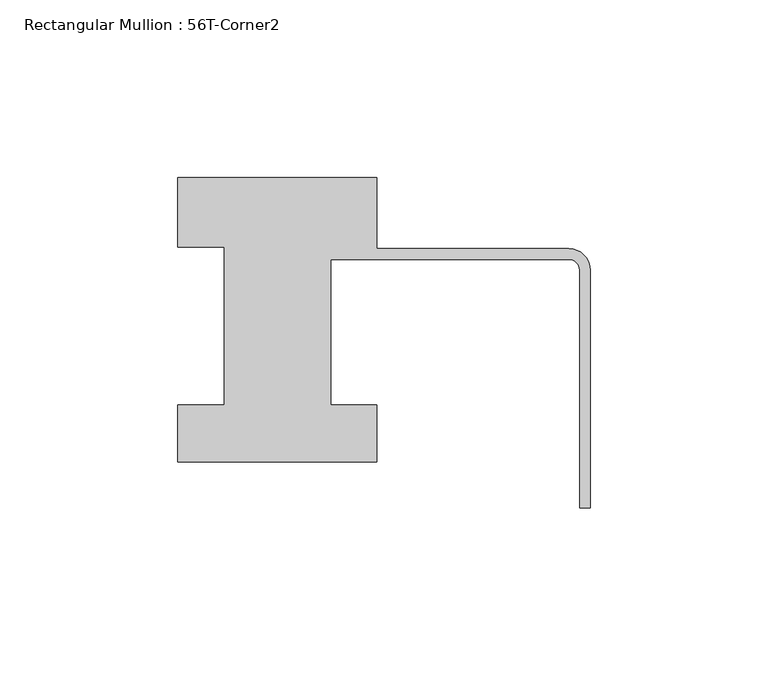
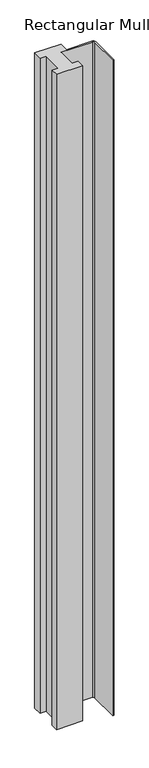
"""IFC4 building model written with IfcOpenShell, lengths in millimetres: member geometry, Rectangular Mullion : 56T-Corner2."""

from ifc_helpers import new_model, si_unit, point, frame, frame_2d, origin, place, context, project, spatial, polyline, circle_curve, trimmed, segment, composite_curve, outline, extrude, source, transform, mapped, element, save


def rectangular_mullion_56t_corner2_e14eab13(model_context):
    return source(origin(), model_context, "Body", "SweptSolid", [
        extrude(outline(composite_curve([segment(polyline([(-116.0, 20.0), (-60.0, 20.0), (-60.0, 0.0), (-6.0, 0.0)]), True, "CONTINUOUS"), segment(trimmed(circle_curve(frame_2d((-6.0, -6.0)), 6.0), [point((-6.0, 0.0))], [point((0.0, -6.0))], False, "CARTESIAN"), True, "CONTINUOUS"), segment(polyline([(0.0, -6.0), (0.0, -73.0), (-3.0, -73.0), (-3.0, -6.0)]), True, "CONTINUOUS"), segment(trimmed(circle_curve(frame_2d((-6.0, -6.0)), 3.0), [point((-3.0, -6.0))], [point((-6.0, -3.0))], True, "CARTESIAN"), True, "CONTINUOUS"), segment(polyline([(-6.0, -3.0), (-73.0, -3.0), (-73.0, -44.0), (-60.0, -44.0), (-60.0, -60.0), (-116.0, -60.0), (-116.0, -44.0), (-103.0, -44.0), (-103.0, 0.5), (-116.0, 0.5), (-116.0, 20.0)]), True, "CONTINUOUS")], self_intersect=False)), frame((0.0, 0.0, -1477.534293), z_axis=(0.0, 0.0, 1.0), x_axis=(1.0, 0.0, 0.0)), (0.0, 0.0, 1.0), 1477.534293),
    ])


if __name__ == "__main__":
    model = new_model("IFC4")
    model_context = context("Model", 3, world=origin())
    ifc_project = project(units=[si_unit("LENGTHUNIT", "METRE", prefix="MILLI")], contexts=[model_context])
    site = spatial("IfcSite", under=ifc_project)
    building = spatial("IfcBuilding", under=site)
    placement = place(None, origin())
    rectangular_mullion_56t_corner2_shape = rectangular_mullion_56t_corner2_e14eab13(model_context)
    element("IfcMember", 1, ObjectType="Rectangular Mullion : 56T-Corner2", at=placement, inside=building, context=model_context, shape_type="MappedRepresentation", body=[
        mapped(rectangular_mullion_56t_corner2_shape, transform((0.0, 0.0, 0.0), x_axis=(1.0, 0.0, 0.0), y_axis=(0.0, 1.0, 0.0), z_axis=(0.0, 0.0, 1.0))),
    ])
    save(model, "model.ifc")
